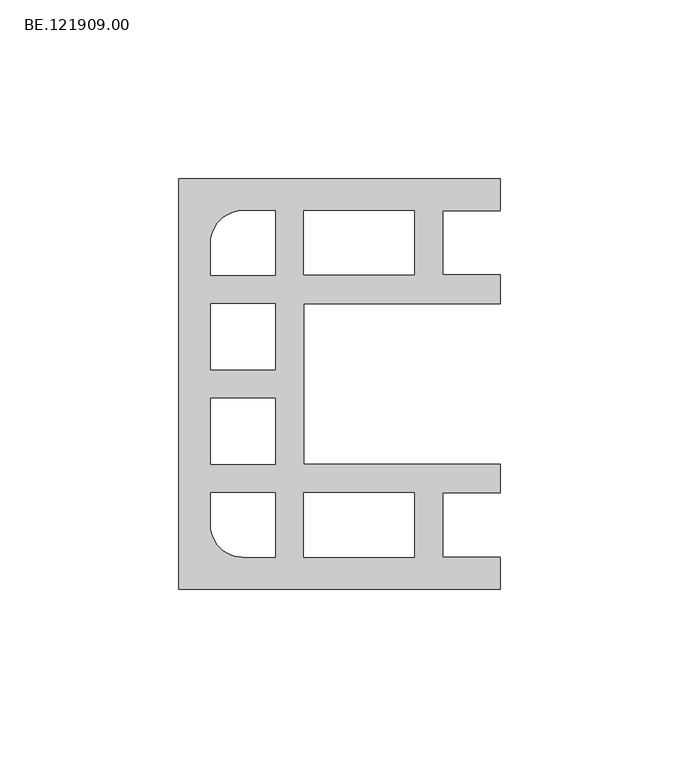
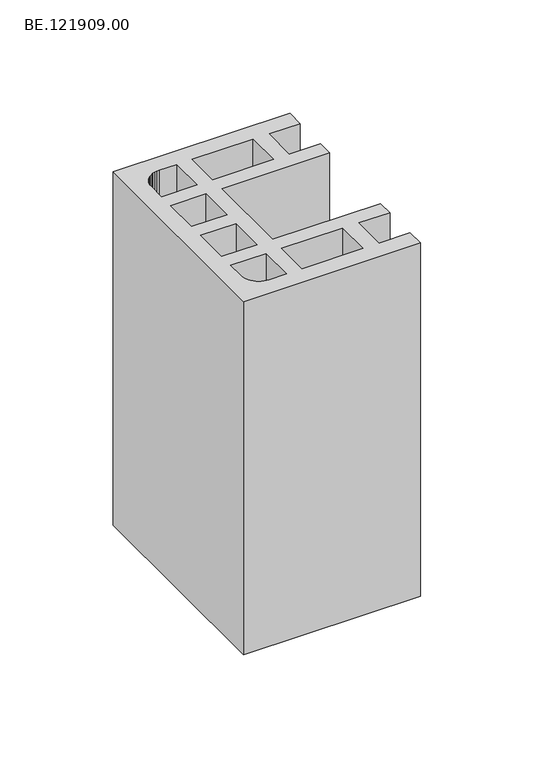
"""IFC4 building model written with IfcOpenShell, lengths in millimetres: proxy geometry, BE.121909.00."""

from ifc_helpers import new_model, si_unit, origin, origin_with_axes, place, context, project, spatial, polyline, outline, extrude, source, transform, mapped, element, save


def be_121909_00_cb3e419b(model_context):
    return source(origin(), model_context, "Body", "SweptSolid", [
        extrude(outline(polyline([(95.0038086, 57.5034668), (95.0038086, 48.4993652), (79.0047852, 48.4993652), (79.0047852, 30.5097656), (95.0038086, 30.5097656), (95.0038086, 22.5009521), (39.9932129, 22.5009521), (39.9932129, -22.5009521), (95.0038086, -22.5009521), (95.0038086, -30.5004639), (79.0047852, -30.5004639), (79.0047852, -48.4993652), (95.0038086, -48.4993652), (95.0038086, -57.5034668), (5.0, -57.5034668), (5.0, 57.5034668), (95.0038086, 57.5034668)]), holes=[polyline([(71.0052734, 48.4993652), (39.9932129, 48.4993652), (39.9932129, 30.5097656), (71.0052734, 30.5097656), (71.0052734, 48.4993652)]), polyline([(71.0052734, -48.4993652), (71.0052734, -30.5004639), (39.9932129, -30.5004639), (39.9932129, -48.4993652), (71.0052734, -48.4993652)]), polyline([(32.0020996, 22.5009521), (14.0125, 22.5009521), (14.0125, 3.9997559), (32.0020996, 3.9997559), (32.0020996, 22.5009521)]), polyline([(32.0020996, -22.5009521), (32.0020996, -3.9997559), (14.0125, -3.9997559), (14.0125, -22.5009521), (32.0020996, -22.5009521)]), polyline([(14.0041016, 30.5004639), (32.0030029, 30.5004639), (32.0030029, 48.4993652), (23.0082031, 48.4993652), (21.8268799, 48.4249512), (20.6734619, 48.1924072), (19.557251, 47.8203369), (18.5061523, 47.2994385), (17.5294678, 46.6390137), (16.636499, 45.8669678), (15.8644531, 44.9833008), (15.2133301, 43.9973145), (14.6924316, 42.9462158), (14.3110596, 41.8300049), (14.0785156, 40.6765869), (14.0041016, 39.5045654), (14.0041016, 30.5004639)]), polyline([(14.0041016, -30.5004639), (14.0041016, -39.5045654), (14.0785156, -40.6765869), (14.3110596, -41.8300049), (14.6924316, -42.9462158), (15.2133301, -43.9973145), (15.8644531, -44.9833008), (16.636499, -45.8669678), (17.5294678, -46.6390137), (18.5061523, -47.2994385), (19.557251, -47.8203369), (20.6734619, -48.1924072), (21.8268799, -48.4249512), (23.0082031, -48.4993652), (32.0030029, -48.4993652), (32.0030029, -30.5004639), (14.0041016, -30.5004639)])]), origin_with_axes(), (0.0, 0.0, 1.0), 190.0),
    ])


if __name__ == "__main__":
    model = new_model("IFC4")
    model_context = context("Model", 3, world=origin())
    ifc_project = project(units=[si_unit("LENGTHUNIT", "METRE", prefix="MILLI")], contexts=[model_context])
    site = spatial("IfcSite", under=ifc_project)
    building = spatial("IfcBuilding", under=site)
    placement = place(None, origin())
    be_121909_00_shape = be_121909_00_cb3e419b(model_context)
    element("IfcBuildingElementProxy", 1, Name="BE.121909.00", ObjectType="BE.121909.00", at=placement, inside=building, context=model_context, shape_type="MappedRepresentation", body=[
        mapped(be_121909_00_shape, transform((0.0, 0.0, 0.0), x_axis=(1.0, 0.0, 0.0), y_axis=(0.0, 1.0, 0.0), z_axis=(0.0, 0.0, 1.0))),
    ])
    save(model, "model.ifc")
